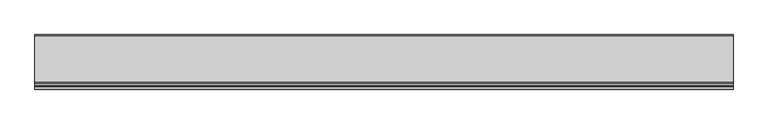
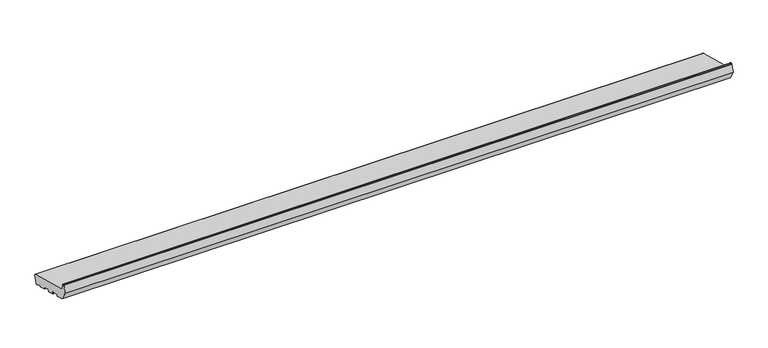
"""IFC4 building model written with IfcOpenShell, lengths in millimetres: proxy geometry."""

from ifc_helpers import new_model, si_unit, point, frame, frame_2d, origin, place, context, project, spatial, polyline, circle_curve, trimmed, segment, composite_curve, outline, extrude, source, transform, mapped, element, save


def generic_models_8a2658df(model_context):
    return source(origin(), model_context, "Body", "SweptSolid", [
        extrude(outline(composite_curve([segment(polyline([(24.7572142, 5.4869469), (22.0404366, 6.2149052), (7.8722069, 14.8023515)]), True, "CONTINUOUS"), segment(trimmed(circle_curve(frame_2d((7.3538769, 13.9471708)), 1.0), [point((7.8722069, 14.8023515))], [point((6.3879511, 14.2059898))], True, "CARTESIAN"), True, "CONTINUOUS"), segment(polyline([(6.3879511, 14.2059898), (5.4386976, 10.6633278)]), True, "CONTINUOUS"), segment(trimmed(circle_curve(frame_2d((4.4727718, 10.9221468)), 1.0), [point((5.4386976, 10.6633278))], [point((4.2139528, 9.956221))], False, "CARTESIAN"), True, "CONTINUOUS"), segment(polyline([(4.2139528, 9.956221), (-18.0023412, 15.909059)]), True, "CONTINUOUS"), segment(trimmed(circle_curve(frame_2d((-17.7435222, 16.8749849)), 1.0), [point((-18.0023412, 15.909059))], [point((-18.709448, 17.1338039))], False, "CARTESIAN"), True, "CONTINUOUS"), segment(polyline([(-18.709448, 17.1338039), (-17.6741718, 20.9975072)]), True, "CONTINUOUS"), segment(trimmed(circle_curve(frame_2d((-18.6400977, 21.2563263)), 1.0), [point((-17.6741718, 20.9975072))], [point((-18.3812786, 22.2222521))], True, "CARTESIAN"), True, "CONTINUOUS"), segment(polyline([(-18.3812786, 22.2222521), (-41.5634984, 28.4339092)]), True, "CONTINUOUS"), segment(trimmed(circle_curve(frame_2d((-41.8223175, 27.4679833)), 1.0), [point((-41.5634984, 28.4339092))], [point((-42.7882433, 27.7268024))], True, "CARTESIAN"), True, "CONTINUOUS"), segment(polyline([(-42.7882433, 27.7268024), (-43.8235195, 23.8630991)]), True, "CONTINUOUS"), segment(trimmed(circle_curve(frame_2d((-44.7894453, 24.1219181)), 1.0), [point((-43.8235195, 23.8630991))], [point((-45.0482644, 23.1559923))], False, "CARTESIAN"), True, "CONTINUOUS"), segment(polyline([(-45.0482644, 23.1559923), (-67.2645584, 29.1088303)]), True, "CONTINUOUS"), segment(trimmed(circle_curve(frame_2d((-67.0057393, 30.0747562)), 1.0), [point((-67.2645584, 29.1088303))], [point((-67.9716652, 30.3335752))], False, "CARTESIAN"), True, "CONTINUOUS"), segment(polyline([(-67.9716652, 30.3335752), (-66.936389, 34.1972785)]), True, "CONTINUOUS"), segment(trimmed(circle_curve(frame_2d((-67.9023148, 34.4560976)), 1.0), [point((-66.936389, 34.1972785))], [point((-67.6434958, 35.4220234))], True, "CARTESIAN"), True, "CONTINUOUS"), segment(polyline([(-67.6434958, 35.4220234), (-90.8257156, 41.6336805)]), True, "CONTINUOUS"), segment(trimmed(circle_curve(frame_2d((-91.0845346, 40.6677546)), 1.0), [point((-90.8257156, 41.6336805))], [point((-92.0504605, 40.9265737))], True, "CARTESIAN"), True, "CONTINUOUS"), segment(polyline([(-92.0504605, 40.9265737), (-93.0857366, 37.0628704)]), True, "CONTINUOUS"), segment(trimmed(circle_curve(frame_2d((-94.0516625, 37.3216894)), 1.0), [point((-93.0857366, 37.0628704))], [point((-94.3104815, 36.3557636))], False, "CARTESIAN"), True, "CONTINUOUS"), segment(polyline([(-94.3104815, 36.3557636), (-122.3223305, 43.8615159), (-140.0, 74.4801377), (-133.4291321, 99.0029505)]), True, "CONTINUOUS"), segment(trimmed(circle_curve(frame_2d((-131.9802434, 98.614722)), 1.5), [point((-133.4291321, 99.0029505))], [point((-131.9802434, 100.114722))], False, "CARTESIAN"), True, "CONTINUOUS"), segment(polyline([(-131.9802434, 100.114722), (-128.6368689, 100.114722)]), True, "CONTINUOUS"), segment(trimmed(circle_curve(frame_2d((-128.6368689, 98.614722)), 1.5), [point((-128.6368689, 100.114722))], [point((-127.1879801, 99.0029505))], False, "CARTESIAN"), True, "CONTINUOUS"), segment(polyline([(-127.1879801, 99.0029505), (-122.4052841, 81.1536858)]), True, "CONTINUOUS"), segment(trimmed(circle_curve(frame_2d((-116.6097291, 82.7066)), 6.0), [point((-122.4052841, 81.1536858))], [point((-118.1626434, 76.9110451))], True, "CARTESIAN"), True, "CONTINUOUS"), segment(polyline([(-118.1626434, 76.9110451), (33.0394236, 36.3965733)]), True, "CONTINUOUS"), segment(trimmed(circle_curve(frame_2d((32.2629665, 33.4987958)), 3.0), [point((33.0394236, 36.3965733))], [point((35.160744, 32.7223387))], False, "CARTESIAN"), True, "CONTINUOUS"), segment(polyline([(35.160744, 32.7223387), (28.4314488, 7.6082672)]), True, "CONTINUOUS"), segment(trimmed(circle_curve(frame_2d((25.5336713, 8.3847244)), 3.0), [point((28.4314488, 7.6082672))], [point((24.7572142, 5.4869469))], False, "CARTESIAN"), True, "CONTINUOUS")], self_intersect=False)), frame((0.0, 0.0, 0.0), z_axis=(1.0, 0.0, 0.0), x_axis=(0.0, 1.0, 0.0)), (0.0, 0.0, 1.0), 2240.0),
    ])


if __name__ == "__main__":
    model = new_model("IFC4")
    model_context = context("Model", 3, world=origin())
    ifc_project = project(units=[si_unit("LENGTHUNIT", "METRE", prefix="MILLI")], contexts=[model_context])
    site = spatial("IfcSite", under=ifc_project)
    building = spatial("IfcBuilding", under=site)
    placement = place(None, origin())
    generic_models_shape = generic_models_8a2658df(model_context)
    element("IfcBuildingElementProxy", 1, Name="Generic Models", at=placement, inside=building, context=model_context, shape_type="MappedRepresentation", body=[
        mapped(generic_models_shape, transform((0.0, 0.0, 0.0), x_axis=(1.0, 0.0, 0.0), y_axis=(0.0, 1.0, 0.0), z_axis=(0.0, 0.0, 1.0))),
    ])
    save(model, "model.ifc")
